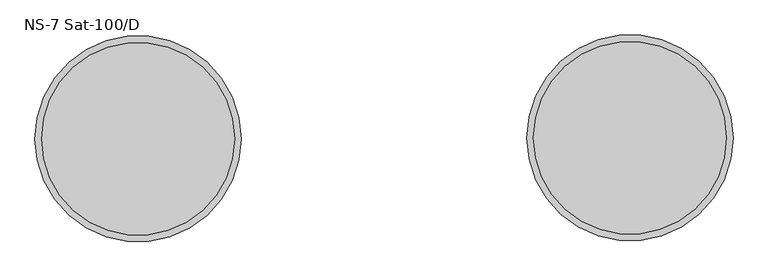
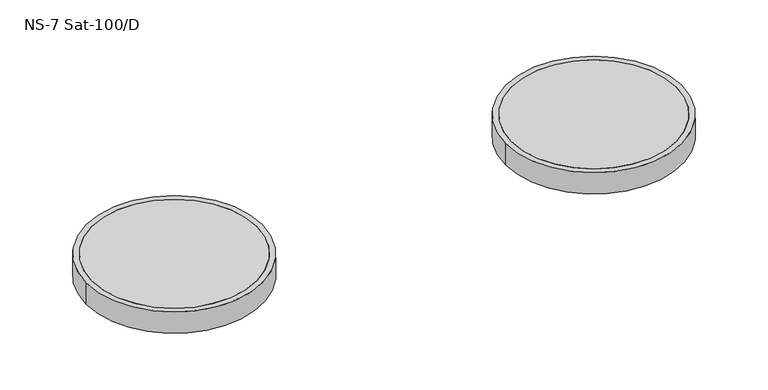
"""IFC4 building model written with IfcOpenShell, lengths in millimetres: unitary equipment geometry, NS-7 Sat-100/D."""

from ifc_helpers import new_model, si_unit, point, frame, frame_2d, origin, place, context, project, spatial, circle_curve, trimmed, segment, composite_curve, outline, extrude, source, transform, mapped, element, save


def ns_7_sat_100_d_dac261c1(model_context):
    return source(origin(), model_context, "Body", "SweptSolid", [
        extrude(outline(composite_curve([segment(trimmed(circle_curve(frame_2d((930.0, 3.75)), 365.0), [point((1295.0, 3.75))], [point((565.0, 3.75))], False, "CARTESIAN"), True, "CONTINUOUS"), segment(trimmed(circle_curve(frame_2d((930.0, 3.75)), 365.0), [point((565.0, 3.75))], [point((1295.0, 3.75))], False, "CARTESIAN"), True, "CONTINUOUS")], self_intersect=False)), frame((0.0, 0.0, -100.0), z_axis=(0.0, 0.0, 1.0), x_axis=(1.0, 0.0, 0.0)), (0.0, 0.0, 1.0), 100.0),
        extrude(outline(composite_curve([segment(trimmed(circle_curve(frame_2d((930.0, 3.75)), 390.0), [point((540.0, 3.75))], [point((1320.0, 3.75))], False, "CARTESIAN"), True, "CONTINUOUS"), segment(trimmed(circle_curve(frame_2d((930.0, 3.75)), 390.0), [point((1320.0, 3.75))], [point((540.0, 3.75))], False, "CARTESIAN"), True, "CONTINUOUS")], self_intersect=False), holes=[composite_curve([segment(trimmed(circle_curve(frame_2d((930.0, 3.75)), 365.0), [point((565.0, 3.75))], [point((1295.0, 3.75))], True, "CARTESIAN"), True, "CONTINUOUS"), segment(trimmed(circle_curve(frame_2d((930.0, 3.75)), 365.0), [point((1295.0, 3.75))], [point((565.0, 3.75))], True, "CARTESIAN"), True, "CONTINUOUS")], self_intersect=False)]), frame((0.0, 0.0, -100.0), z_axis=(0.0, 0.0, 1.0), x_axis=(1.0, 0.0, 0.0)), (0.0, 0.0, 1.0), 100.0),
        extrude(outline(composite_curve([segment(trimmed(circle_curve(frame_2d((-930.0, 0.0)), 365.0), [point((-565.0, 0.0))], [point((-1295.0, 0.0))], False, "CARTESIAN"), True, "CONTINUOUS"), segment(trimmed(circle_curve(frame_2d((-930.0, 0.0)), 365.0), [point((-1295.0, 0.0))], [point((-565.0, 0.0))], False, "CARTESIAN"), True, "CONTINUOUS")], self_intersect=False)), frame((0.0, 0.0, -100.0), z_axis=(0.0, 0.0, 1.0), x_axis=(1.0, 0.0, 0.0)), (0.0, 0.0, 1.0), 100.0),
        extrude(outline(composite_curve([segment(trimmed(circle_curve(frame_2d((-930.0, 0.0)), 390.0), [point((-1320.0, 0.0))], [point((-540.0, 0.0))], False, "CARTESIAN"), True, "CONTINUOUS"), segment(trimmed(circle_curve(frame_2d((-930.0, 0.0)), 390.0), [point((-540.0, 0.0))], [point((-1320.0, 0.0))], False, "CARTESIAN"), True, "CONTINUOUS")], self_intersect=False), holes=[composite_curve([segment(trimmed(circle_curve(frame_2d((-930.0, 0.0)), 365.0), [point((-1295.0, 0.0))], [point((-565.0, 0.0))], True, "CARTESIAN"), True, "CONTINUOUS"), segment(trimmed(circle_curve(frame_2d((-930.0, 0.0)), 365.0), [point((-565.0, 0.0))], [point((-1295.0, 0.0))], True, "CARTESIAN"), True, "CONTINUOUS")], self_intersect=False)]), frame((0.0, 0.0, -100.0), z_axis=(0.0, 0.0, 1.0), x_axis=(1.0, 0.0, 0.0)), (0.0, 0.0, 1.0), 100.0),
    ])


if __name__ == "__main__":
    model = new_model("IFC4")
    model_context = context("Model", 3, world=origin())
    ifc_project = project(units=[si_unit("LENGTHUNIT", "METRE", prefix="MILLI")], contexts=[model_context])
    site = spatial("IfcSite", under=ifc_project)
    building = spatial("IfcBuilding", under=site)
    placement = place(None, origin())
    ns_7_sat_100_d_shape = ns_7_sat_100_d_dac261c1(model_context)
    element("IfcUnitaryEquipment", 1, ObjectType="NS-7 Sat-100/D", at=placement, inside=building, context=model_context, shape_type="MappedRepresentation", body=[
        mapped(ns_7_sat_100_d_shape, transform((0.0, 0.0, 0.0), x_axis=(1.0, 0.0, 0.0), y_axis=(0.0, 1.0, 0.0), z_axis=(0.0, 0.0, 1.0))),
    ])
    save(model, "model.ifc")
